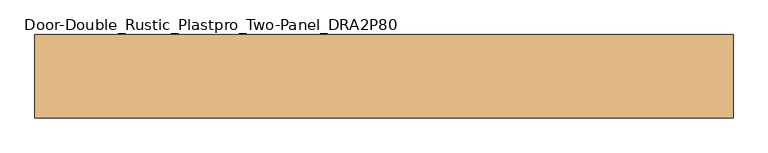
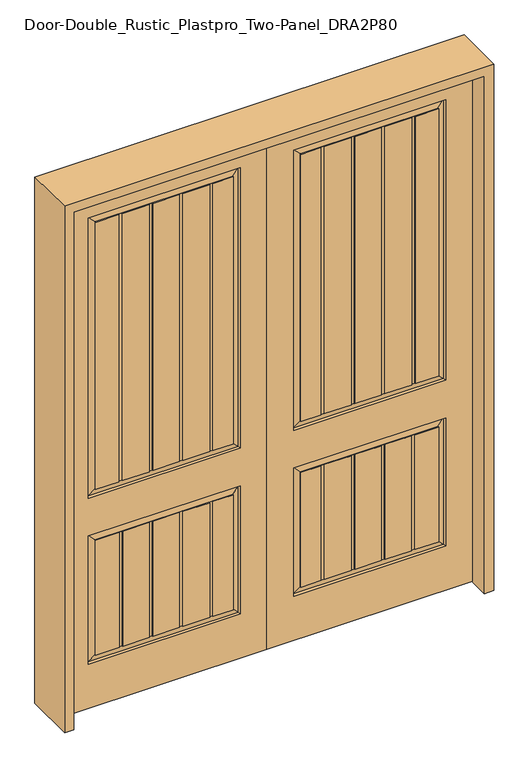
"""IFC4 building model written with IfcOpenShell, lengths in millimetres: door geometry, Door-Double_Rustic_Plastpro_Two-Panel_DRA2P80."""

from ifc_helpers import new_model, si_unit, frame, origin, place, context, project, spatial, polyline, outline, extrude, faceted_brep, source, transform, mapped, element, save


def door_double_rustic_plastpro_two_panel_dra2p80_1f6f9188(model_context):
    return source(origin(), model_context, "Body", "SolidModel", [
        faceted_brep([(0.0, 20.6375, 0.0), (0.0, 20.6375, 2438.4), (914.4, 20.6375, 2438.4), (914.4, 20.6375, 0.0), (795.3375, 20.6375, 990.6), (795.3375, 20.6375, 2311.4), (119.0625, 20.6375, 2311.4), (119.0625, 20.6375, 990.6), (795.3375, 20.6375, 209.55), (795.3375, 20.6375, 812.8), (119.0625, 20.6375, 812.8), (119.0625, 20.6375, 209.55), (255.83842, 20.6375, 781.59283), (374.7997858, 20.6375, 781.59283), (374.7997858, 20.6375, 240.75717), (255.83842, 20.6375, 240.75717), (240.5587325, 20.6375, 240.75717), (150.26967, 20.6375, 240.75717), (150.26967, 20.6375, 781.59283), (240.5587325, 20.6375, 781.59283), (524.3205267, 20.6375, 781.59283), (643.2818925, 20.6375, 781.59283), (643.2818925, 20.6375, 240.75717), (524.3205267, 20.6375, 240.75717), (509.0408392, 20.6375, 240.75717), (390.0794733, 20.6375, 240.75717), (390.0794733, 20.6375, 781.59283), (509.0408392, 20.6375, 781.59283), (255.83842, 20.6375, 2280.19283), (374.7997858, 20.6375, 2280.19283), (374.7997858, 20.6375, 1021.80717), (255.83842, 20.6375, 1021.80717), (240.5587325, 20.6375, 1021.80717), (150.26967, 20.6375, 1021.80717), (150.26967, 20.6375, 2280.19283), (240.5587325, 20.6375, 2280.19283), (524.3205267, 20.6375, 2280.19283), (643.2818925, 20.6375, 2280.19283), (643.2818925, 20.6375, 1021.80717), (524.3205267, 20.6375, 1021.80717), (509.0408392, 20.6375, 1021.80717), (390.0794733, 20.6375, 1021.80717), (390.0794733, 20.6375, 2280.19283), (509.0408392, 20.6375, 2280.19283), (658.56158, 20.6375, 2280.19283), (764.13033, 20.6375, 2280.19283), (764.13033, 20.6375, 1021.80717), (658.56158, 20.6375, 1021.80717), (658.56158, 20.6375, 781.59283), (764.13033, 20.6375, 781.59283), (764.13033, 20.6375, 240.75717), (658.56158, 20.6375, 240.75717), (914.4, -20.6375, 0.0), (0.0, -20.6375, 0.0), (914.4, -20.6375, 2438.4), (0.0, -20.6375, 2438.4), (119.0625, -20.6375, 990.6), (119.0625, -20.6375, 2311.4), (795.3375, -20.6375, 2311.4), (795.3375, -20.6375, 990.6), (119.0625, -20.6375, 209.55), (119.0625, -20.6375, 812.8), (795.3375, -20.6375, 812.8), (795.3375, -20.6375, 209.55), (255.83842, -20.6375, 240.75717), (374.7997858, -20.6375, 240.75717), (374.7997858, -20.6375, 781.59283), (255.83842, -20.6375, 781.59283), (240.5587325, -20.6375, 781.59283), (150.26967, -20.6375, 781.59283), (150.26967, -20.6375, 240.75717), (240.5587325, -20.6375, 240.75717), (524.3205267, -20.6375, 240.75717), (643.2818925, -20.6375, 240.75717), (643.2818925, -20.6375, 781.59283), (524.3205267, -20.6375, 781.59283), (509.0408392, -20.6375, 781.59283), (390.0794733, -20.6375, 781.59283), (390.0794733, -20.6375, 240.75717), (509.0408392, -20.6375, 240.75717), (255.83842, -20.6375, 1021.80717), (375.194015, -20.6375, 1021.80717), (375.194015, -20.6375, 2280.19283), (255.83842, -20.6375, 2280.19283), (240.5587325, -20.6375, 2280.19283), (150.26967, -20.6375, 2280.19283), (150.26967, -20.6375, 1021.80717), (240.5587325, -20.6375, 1021.80717), (525.108985, -20.6375, 1021.80717), (644.46458, -20.6375, 1021.80717), (644.46458, -20.6375, 2280.19283), (525.108985, -20.6375, 2280.19283), (509.8292975, -20.6375, 2280.19283), (390.4737025, -20.6375, 2280.19283), (390.4737025, -20.6375, 1021.80717), (509.8292975, -20.6375, 1021.80717), (659.7442675, -20.6375, 1021.80717), (764.13033, -20.6375, 1021.80717), (764.13033, -20.6375, 2280.19283), (659.7442675, -20.6375, 2280.19283), (658.56158, -20.6375, 240.75717), (764.13033, -20.6375, 240.75717), (764.13033, -20.6375, 781.59283), (658.56158, -20.6375, 781.59283), (255.83842, 17.4625, 240.75717), (255.83842, 17.4625, 781.59283), (374.7997858, 17.4625, 781.59283), (374.7997858, 17.4625, 240.75717), (240.5587325, 17.4625, 781.59283), (240.5587325, 17.4625, 240.75717), (524.3205267, 17.4625, 240.75717), (524.3205267, 17.4625, 781.59283), (509.0408392, 17.4625, 781.59283), (509.0408392, 17.4625, 240.75717), (390.0794733, 17.4625, 240.75717), (390.0794733, 17.4625, 781.59283), (255.83842, 17.4625, 1021.80717), (255.83842, 17.4625, 2280.19283), (374.7997858, 17.4625, 2280.19283), (374.7997858, 17.4625, 1021.80717), (240.5587325, 17.4625, 2280.19283), (240.5587325, 17.4625, 1021.80717), (524.3205267, 17.4625, 1021.80717), (524.3205267, 17.4625, 2280.19283), (509.0408392, 17.4625, 2280.19283), (509.0408392, 17.4625, 1021.80717), (390.0794733, 17.4625, 1021.80717), (390.0794733, 17.4625, 2280.19283), (255.83842, -17.4625, 781.59283), (255.83842, -17.4625, 240.75717), (374.7997858, -17.4625, 240.75717), (374.7997858, -17.4625, 781.59283), (240.5587325, -17.4625, 240.75717), (240.5587325, -17.4625, 781.59283), (524.3205267, -17.4625, 781.59283), (524.3205267, -17.4625, 240.75717), (509.0408392, -17.4625, 240.75717), (509.0408392, -17.4625, 781.59283), (390.0794733, -17.4625, 781.59283), (390.0794733, -17.4625, 240.75717), (255.83842, -17.4625, 2280.19283), (255.83842, -17.4625, 1021.80717), (375.194015, -17.4625, 1021.80717), (375.194015, -17.4625, 2280.19283), (240.5587325, -17.4625, 1021.80717), (240.5587325, -17.4625, 2280.19283), (525.108985, -17.4625, 2280.19283), (525.108985, -17.4625, 1021.80717), (509.8292975, -17.4625, 1021.80717), (509.8292975, -17.4625, 2280.19283), (390.4737025, -17.4625, 2280.19283), (390.4737025, -17.4625, 1021.80717), (150.26967, 16.4079106, 240.75717), (643.2818925, 17.4625, 240.75717), (658.56158, 17.4625, 240.75717), (764.13033, 16.4079106, 240.75717), (150.26967, 16.4079106, 781.59283), (764.13033, 16.4079106, 781.59283), (658.56158, 17.4625, 781.59283), (643.2818925, 17.4625, 781.59283), (150.26967, 16.4079106, 1021.80717), (643.2818925, 17.4625, 1021.80717), (658.56158, 17.4625, 1021.80717), (764.13033, 16.4079106, 1021.80717), (150.26967, 16.4079106, 2280.19283), (643.2818925, 17.4625, 2280.19283), (791.118693, 11.1619043, 994.818807), (123.281307, 11.1619043, 994.818807), (123.281307, 11.1619043, 2307.181193), (791.118693, 11.1619043, 2307.181193), (791.118693, 11.1619043, 213.768807), (123.281307, 11.1619043, 213.768807), (123.281307, 11.1619043, 808.581193), (791.118693, 11.1619043, 808.581193), (658.56158, 17.4625, 2280.19283), (764.13033, 16.4079106, 2280.19283), (643.2818925, -17.4625, 781.59283), (658.56158, -17.4625, 781.59283), (764.13033, -16.4079106, 781.59283), (150.26967, -16.4079106, 781.59283), (764.13033, -16.4079106, 240.75717), (658.56158, -17.4625, 240.75717), (643.2818925, -17.4625, 240.75717), (150.26967, -16.4079106, 240.75717), (764.13033, -16.4079106, 1021.80717), (659.7442675, -17.4625, 1021.80717), (644.46458, -17.4625, 1021.80717), (150.26967, -16.4079106, 1021.80717), (150.26967, -16.4079106, 2280.19283), (644.46458, -17.4625, 2280.19283), (791.118693, -11.1619043, 994.818807), (123.281307, -11.1619043, 994.818807), (791.118693, -11.1619043, 2307.181193), (123.281307, -11.1619043, 2307.181193), (791.118693, -11.1619043, 213.768807), (123.281307, -11.1619043, 213.768807), (791.118693, -11.1619043, 808.581193), (123.281307, -11.1619043, 808.581193), (659.7442675, -17.4625, 2280.19283), (764.13033, -16.4079106, 2280.19283)], [[[0, 1, 2, 3], [4, 5, 6, 7], [8, 9, 10, 11]], [[12, 13, 14, 15]], [[16, 17, 18, 19]], [[20, 21, 22, 23]], [[24, 25, 26, 27]], [[28, 29, 30, 31]], [[32, 33, 34, 35]], [[36, 37, 38, 39]], [[40, 41, 42, 43]], [[44, 45, 46, 47]], [[48, 49, 50, 51]], [[3, 52, 53, 0]], [[2, 54, 52, 3]], [[0, 53, 55, 1]], [[52, 54, 55, 53], [56, 57, 58, 59], [60, 61, 62, 63]], [[64, 65, 66, 67]], [[68, 69, 70, 71]], [[72, 73, 74, 75]], [[76, 77, 78, 79]], [[80, 81, 82, 83]], [[84, 85, 86, 87]], [[88, 89, 90, 91]], [[92, 93, 94, 95]], [[96, 97, 98, 99]], [[100, 101, 102, 103]], [[1, 55, 54, 2]], [[15, 104, 105, 12]], [[13, 106, 107, 14]], [[19, 108, 109, 16]], [[23, 110, 111, 20]], [[27, 112, 113, 24]], [[25, 114, 115, 26]], [[31, 116, 117, 28]], [[29, 118, 119, 30]], [[35, 120, 121, 32]], [[39, 122, 123, 36]], [[43, 124, 125, 40]], [[41, 126, 127, 42]], [[67, 128, 129, 64]], [[65, 130, 131, 66]], [[71, 132, 133, 68]], [[75, 134, 135, 72]], [[79, 136, 137, 76]], [[77, 138, 139, 78]], [[83, 140, 141, 80]], [[81, 142, 143, 82]], [[87, 144, 145, 84]], [[91, 146, 147, 88]], [[95, 148, 149, 92]], [[93, 150, 151, 94]], [[128, 133, 132, 129]], [[134, 137, 136, 135]], [[138, 131, 130, 139]], [[104, 109, 108, 105]], [[110, 113, 112, 111]], [[114, 107, 106, 115]], [[140, 145, 144, 141]], [[146, 149, 148, 147]], [[150, 143, 142, 151]], [[116, 121, 120, 117]], [[122, 125, 124, 123]], [[126, 119, 118, 127]], [[152, 17, 16, 109, 104, 15, 14, 107, 114, 25, 24, 113, 110, 23, 22, 153, 154, 51, 50, 155]], [[156, 157, 49, 48, 158, 159, 21, 20, 111, 112, 27, 26, 115, 106, 13, 12, 105, 108, 19, 18]], [[152, 156, 18, 17]], [[21, 159, 153, 22]], [[160, 33, 32, 121, 116, 31, 30, 119, 126, 41, 40, 125, 122, 39, 38, 161, 162, 47, 46, 163]], [[160, 164, 34, 33]], [[37, 165, 161, 38]], [[166, 4, 7, 167]], [[7, 6, 168, 167]], [[166, 169, 5, 4]], [[170, 8, 11, 171]], [[11, 10, 172, 171]], [[10, 9, 173, 172]], [[170, 173, 9, 8]], [[47, 162, 174, 44]], [[46, 45, 175, 163]], [[51, 154, 158, 48]], [[50, 49, 157, 155]], [[69, 68, 133, 128, 67, 66, 131, 138, 77, 76, 137, 134, 75, 74, 176, 177, 103, 102, 178, 179]], [[180, 101, 100, 181, 182, 73, 72, 135, 136, 79, 78, 139, 130, 65, 64, 129, 132, 71, 70, 183]], [[70, 69, 179, 183]], [[73, 182, 176, 74]], [[184, 97, 96, 185, 186, 89, 88, 147, 148, 95, 94, 151, 142, 81, 80, 141, 144, 87, 86, 187]], [[86, 85, 188, 187]], [[89, 186, 189, 90]], [[56, 59, 190, 191]], [[59, 58, 192, 190]], [[191, 193, 57, 56]], [[60, 63, 194, 195]], [[63, 62, 196, 194]], [[197, 196, 62, 61]], [[195, 197, 61, 60]], [[99, 198, 185, 96]], [[184, 199, 98, 97]], [[103, 177, 181, 100]], [[180, 178, 102, 101]], [[190, 184, 187, 191]], [[198, 189, 186, 185]], [[187, 188, 193, 191]], [[190, 192, 199, 184]], [[163, 166, 167, 160]], [[167, 168, 164, 160]], [[163, 175, 169, 166]], [[162, 161, 165, 174]], [[194, 180, 183, 195]], [[177, 176, 182, 181]], [[183, 179, 197, 195]], [[194, 196, 178, 180]], [[155, 170, 171, 152]], [[171, 172, 156, 152]], [[155, 157, 173, 170]], [[154, 153, 159, 158]], [[179, 178, 196, 197]], [[172, 173, 157, 156]], [[6, 5, 169, 168]], [[193, 192, 58, 57]], [[188, 199, 192, 193]], [[168, 169, 175, 164]], [[85, 84, 145, 140, 83, 82, 143, 150, 93, 92, 149, 146, 91, 90, 189, 198, 99, 98, 199, 188]], [[164, 175, 45, 44, 174, 165, 37, 36, 123, 124, 43, 42, 127, 118, 29, 28, 117, 120, 35, 34]]]),
        faceted_brep([(0.0, 20.6375, 0.0), (-914.4, 20.6375, 0.0), (-914.4, 20.6375, 2438.4), (0.0, 20.6375, 2438.4), (-795.3375, 20.6375, 990.6), (-119.0625, 20.6375, 990.6), (-119.0625, 20.6375, 2311.4), (-795.3375, 20.6375, 2311.4), (-795.3375, 20.6375, 209.55), (-119.0625, 20.6375, 209.55), (-119.0625, 20.6375, 812.8), (-795.3375, 20.6375, 812.8), (-255.83842, 20.6375, 781.59283), (-255.83842, 20.6375, 240.75717), (-374.7997858, 20.6375, 240.75717), (-374.7997858, 20.6375, 781.59283), (-240.5587325, 20.6375, 240.75717), (-240.5587325, 20.6375, 781.59283), (-150.26967, 20.6375, 781.59283), (-150.26967, 20.6375, 240.75717), (-524.3205267, 20.6375, 781.59283), (-524.3205267, 20.6375, 240.75717), (-643.2818925, 20.6375, 240.75717), (-643.2818925, 20.6375, 781.59283), (-509.0408392, 20.6375, 240.75717), (-509.0408392, 20.6375, 781.59283), (-390.0794733, 20.6375, 781.59283), (-390.0794733, 20.6375, 240.75717), (-255.83842, 20.6375, 2280.19283), (-255.83842, 20.6375, 1021.80717), (-374.7997858, 20.6375, 1021.80717), (-374.7997858, 20.6375, 2280.19283), (-240.5587325, 20.6375, 1021.80717), (-240.5587325, 20.6375, 2280.19283), (-150.26967, 20.6375, 2280.19283), (-150.26967, 20.6375, 1021.80717), (-524.3205267, 20.6375, 2280.19283), (-524.3205267, 20.6375, 1021.80717), (-643.2818925, 20.6375, 1021.80717), (-643.2818925, 20.6375, 2280.19283), (-509.0408392, 20.6375, 1021.80717), (-509.0408392, 20.6375, 2280.19283), (-390.0794733, 20.6375, 2280.19283), (-390.0794733, 20.6375, 1021.80717), (-658.56158, 20.6375, 2280.19283), (-658.56158, 20.6375, 1021.80717), (-764.13033, 20.6375, 1021.80717), (-764.13033, 20.6375, 2280.19283), (-658.56158, 20.6375, 781.59283), (-658.56158, 20.6375, 240.75717), (-764.13033, 20.6375, 240.75717), (-764.13033, 20.6375, 781.59283), (0.0, -20.6375, 0.0), (-914.4, -20.6375, 0.0), (-914.4, -20.6375, 2438.4), (0.0, -20.6375, 2438.4), (-119.0625, -20.6375, 990.6), (-795.3375, -20.6375, 990.6), (-795.3375, -20.6375, 2311.4), (-119.0625, -20.6375, 2311.4), (-119.0625, -20.6375, 209.55), (-795.3375, -20.6375, 209.55), (-795.3375, -20.6375, 812.8), (-119.0625, -20.6375, 812.8), (-255.83842, -20.6375, 240.75717), (-255.83842, -20.6375, 781.59283), (-374.7997858, -20.6375, 781.59283), (-374.7997858, -20.6375, 240.75717), (-240.5587325, -20.6375, 781.59283), (-240.5587325, -20.6375, 240.75717), (-150.26967, -20.6375, 240.75717), (-150.26967, -20.6375, 781.59283), (-524.3205267, -20.6375, 240.75717), (-524.3205267, -20.6375, 781.59283), (-643.2818925, -20.6375, 781.59283), (-643.2818925, -20.6375, 240.75717), (-509.0408392, -20.6375, 781.59283), (-509.0408392, -20.6375, 240.75717), (-390.0794733, -20.6375, 240.75717), (-390.0794733, -20.6375, 781.59283), (-255.83842, -20.6375, 1021.80717), (-255.83842, -20.6375, 2280.19283), (-375.194015, -20.6375, 2280.19283), (-375.194015, -20.6375, 1021.80717), (-240.5587325, -20.6375, 2280.19283), (-240.5587325, -20.6375, 1021.80717), (-150.26967, -20.6375, 1021.80717), (-150.26967, -20.6375, 2280.19283), (-525.108985, -20.6375, 1021.80717), (-525.108985, -20.6375, 2280.19283), (-644.46458, -20.6375, 2280.19283), (-644.46458, -20.6375, 1021.80717), (-509.8292975, -20.6375, 2280.19283), (-509.8292975, -20.6375, 1021.80717), (-390.4737025, -20.6375, 1021.80717), (-390.4737025, -20.6375, 2280.19283), (-659.7442675, -20.6375, 1021.80717), (-659.7442675, -20.6375, 2280.19283), (-764.13033, -20.6375, 2280.19283), (-764.13033, -20.6375, 1021.80717), (-658.56158, -20.6375, 240.75717), (-658.56158, -20.6375, 781.59283), (-764.13033, -20.6375, 781.59283), (-764.13033, -20.6375, 240.75717), (-255.83842, 17.4625, 781.59283), (-255.83842, 17.4625, 240.75717), (-374.7997858, 17.4625, 240.75717), (-374.7997858, 17.4625, 781.59283), (-240.5587325, 17.4625, 240.75717), (-240.5587325, 17.4625, 781.59283), (-524.3205267, 17.4625, 781.59283), (-524.3205267, 17.4625, 240.75717), (-509.0408392, 17.4625, 240.75717), (-509.0408392, 17.4625, 781.59283), (-390.0794733, 17.4625, 781.59283), (-390.0794733, 17.4625, 240.75717), (-255.83842, 17.4625, 2280.19283), (-255.83842, 17.4625, 1021.80717), (-374.7997858, 17.4625, 1021.80717), (-374.7997858, 17.4625, 2280.19283), (-240.5587325, 17.4625, 1021.80717), (-240.5587325, 17.4625, 2280.19283), (-524.3205267, 17.4625, 2280.19283), (-524.3205267, 17.4625, 1021.80717), (-509.0408392, 17.4625, 1021.80717), (-509.0408392, 17.4625, 2280.19283), (-390.0794733, 17.4625, 2280.19283), (-390.0794733, 17.4625, 1021.80717), (-255.83842, -17.4625, 240.75717), (-255.83842, -17.4625, 781.59283), (-374.7997858, -17.4625, 781.59283), (-374.7997858, -17.4625, 240.75717), (-240.5587325, -17.4625, 781.59283), (-240.5587325, -17.4625, 240.75717), (-524.3205267, -17.4625, 240.75717), (-524.3205267, -17.4625, 781.59283), (-509.0408392, -17.4625, 781.59283), (-509.0408392, -17.4625, 240.75717), (-390.0794733, -17.4625, 240.75717), (-390.0794733, -17.4625, 781.59283), (-255.83842, -17.4625, 1021.80717), (-255.83842, -17.4625, 2280.19283), (-375.194015, -17.4625, 2280.19283), (-375.194015, -17.4625, 1021.80717), (-240.5587325, -17.4625, 2280.19283), (-240.5587325, -17.4625, 1021.80717), (-525.108985, -17.4625, 1021.80717), (-525.108985, -17.4625, 2280.19283), (-509.8292975, -17.4625, 2280.19283), (-509.8292975, -17.4625, 1021.80717), (-390.4737025, -17.4625, 1021.80717), (-390.4737025, -17.4625, 2280.19283), (-150.26967, 16.4079106, 240.75717), (-764.13033, 16.4079106, 240.75717), (-658.56158, 17.4625, 240.75717), (-643.2818925, 17.4625, 240.75717), (-150.26967, 16.4079106, 781.59283), (-643.2818925, 17.4625, 781.59283), (-658.56158, 17.4625, 781.59283), (-764.13033, 16.4079106, 781.59283), (-150.26967, 16.4079106, 1021.80717), (-764.13033, 16.4079106, 1021.80717), (-658.56158, 17.4625, 1021.80717), (-643.2818925, 17.4625, 1021.80717), (-150.26967, 16.4079106, 2280.19283), (-643.2818925, 17.4625, 2280.19283), (-791.118693, 11.1619043, 994.818807), (-123.281307, 11.1619043, 994.818807), (-123.281307, 11.1619043, 2307.181193), (-791.118693, 11.1619043, 2307.181193), (-791.118693, 11.1619043, 213.768807), (-123.281307, 11.1619043, 213.768807), (-123.281307, 11.1619043, 808.581193), (-791.118693, 11.1619043, 808.581193), (-658.56158, 17.4625, 2280.19283), (-764.13033, 16.4079106, 2280.19283), (-150.26967, -16.4079106, 781.59283), (-764.13033, -16.4079106, 781.59283), (-658.56158, -17.4625, 781.59283), (-643.2818925, -17.4625, 781.59283), (-764.13033, -16.4079106, 240.75717), (-150.26967, -16.4079106, 240.75717), (-643.2818925, -17.4625, 240.75717), (-658.56158, -17.4625, 240.75717), (-764.13033, -16.4079106, 1021.80717), (-150.26967, -16.4079106, 1021.80717), (-644.46458, -17.4625, 1021.80717), (-659.7442675, -17.4625, 1021.80717), (-150.26967, -16.4079106, 2280.19283), (-644.46458, -17.4625, 2280.19283), (-123.281307, -11.1619043, 994.818807), (-791.118693, -11.1619043, 994.818807), (-791.118693, -11.1619043, 2307.181193), (-123.281307, -11.1619043, 2307.181193), (-123.281307, -11.1619043, 213.768807), (-791.118693, -11.1619043, 213.768807), (-791.118693, -11.1619043, 808.581193), (-123.281307, -11.1619043, 808.581193), (-659.7442675, -17.4625, 2280.19283), (-764.13033, -16.4079106, 2280.19283)], [[[0, 1, 2, 3], [4, 5, 6, 7], [8, 9, 10, 11]], [[12, 13, 14, 15]], [[16, 17, 18, 19]], [[20, 21, 22, 23]], [[24, 25, 26, 27]], [[28, 29, 30, 31]], [[32, 33, 34, 35]], [[36, 37, 38, 39]], [[40, 41, 42, 43]], [[44, 45, 46, 47]], [[48, 49, 50, 51]], [[1, 0, 52, 53]], [[2, 1, 53, 54]], [[0, 3, 55, 52]], [[53, 52, 55, 54], [56, 57, 58, 59], [60, 61, 62, 63]], [[64, 65, 66, 67]], [[68, 69, 70, 71]], [[72, 73, 74, 75]], [[76, 77, 78, 79]], [[80, 81, 82, 83]], [[84, 85, 86, 87]], [[88, 89, 90, 91]], [[92, 93, 94, 95]], [[96, 97, 98, 99]], [[100, 101, 102, 103]], [[3, 2, 54, 55]], [[13, 12, 104, 105]], [[15, 14, 106, 107]], [[17, 16, 108, 109]], [[21, 20, 110, 111]], [[25, 24, 112, 113]], [[27, 26, 114, 115]], [[29, 28, 116, 117]], [[31, 30, 118, 119]], [[33, 32, 120, 121]], [[37, 36, 122, 123]], [[41, 40, 124, 125]], [[43, 42, 126, 127]], [[65, 64, 128, 129]], [[67, 66, 130, 131]], [[69, 68, 132, 133]], [[73, 72, 134, 135]], [[77, 76, 136, 137]], [[79, 78, 138, 139]], [[81, 80, 140, 141]], [[83, 82, 142, 143]], [[85, 84, 144, 145]], [[89, 88, 146, 147]], [[93, 92, 148, 149]], [[95, 94, 150, 151]], [[129, 128, 133, 132]], [[135, 134, 137, 136]], [[139, 138, 131, 130]], [[105, 104, 109, 108]], [[111, 110, 113, 112]], [[115, 114, 107, 106]], [[141, 140, 145, 144]], [[147, 146, 149, 148]], [[151, 150, 143, 142]], [[117, 116, 121, 120]], [[123, 122, 125, 124]], [[127, 126, 119, 118]], [[152, 153, 50, 49, 154, 155, 22, 21, 111, 112, 24, 27, 115, 106, 14, 13, 105, 108, 16, 19]], [[156, 18, 17, 109, 104, 12, 15, 107, 114, 26, 25, 113, 110, 20, 23, 157, 158, 48, 51, 159]], [[152, 19, 18, 156]], [[23, 22, 155, 157]], [[160, 161, 46, 45, 162, 163, 38, 37, 123, 124, 40, 43, 127, 118, 30, 29, 117, 120, 32, 35]], [[160, 35, 34, 164]], [[39, 38, 163, 165]], [[166, 167, 5, 4]], [[5, 167, 168, 6]], [[166, 4, 7, 169]], [[170, 171, 9, 8]], [[9, 171, 172, 10]], [[10, 172, 173, 11]], [[170, 8, 11, 173]], [[45, 44, 174, 162]], [[46, 161, 175, 47]], [[49, 48, 158, 154]], [[50, 153, 159, 51]], [[71, 176, 177, 102, 101, 178, 179, 74, 73, 135, 136, 76, 79, 139, 130, 66, 65, 129, 132, 68]], [[180, 181, 70, 69, 133, 128, 64, 67, 131, 138, 78, 77, 137, 134, 72, 75, 182, 183, 100, 103]], [[70, 181, 176, 71]], [[75, 74, 179, 182]], [[184, 185, 86, 85, 145, 140, 80, 83, 143, 150, 94, 93, 149, 146, 88, 91, 186, 187, 96, 99]], [[86, 185, 188, 87]], [[91, 90, 189, 186]], [[56, 190, 191, 57]], [[57, 191, 192, 58]], [[190, 56, 59, 193]], [[60, 194, 195, 61]], [[61, 195, 196, 62]], [[197, 63, 62, 196]], [[194, 60, 63, 197]], [[97, 96, 187, 198]], [[184, 99, 98, 199]], [[101, 100, 183, 178]], [[180, 103, 102, 177]], [[191, 190, 185, 184]], [[198, 187, 186, 189]], [[185, 190, 193, 188]], [[191, 184, 199, 192]], [[161, 160, 167, 166]], [[167, 160, 164, 168]], [[161, 166, 169, 175]], [[162, 174, 165, 163]], [[195, 194, 181, 180]], [[178, 183, 182, 179]], [[181, 194, 197, 176]], [[195, 180, 177, 196]], [[153, 152, 171, 170]], [[171, 152, 156, 172]], [[153, 170, 173, 159]], [[154, 158, 157, 155]], [[176, 197, 196, 177]], [[172, 156, 159, 173]], [[6, 168, 169, 7]], [[193, 59, 58, 192]], [[188, 193, 192, 199]], [[168, 164, 175, 169]], [[87, 188, 199, 98, 97, 198, 189, 90, 89, 147, 148, 92, 95, 151, 142, 82, 81, 141, 144, 84]], [[164, 34, 33, 121, 116, 28, 31, 119, 126, 42, 41, 125, 122, 36, 39, 165, 174, 44, 47, 175]]]),
        extrude(outline(polyline([(2479.675, -955.675), (0.0, -955.675), (0.0, -914.4), (2438.4, -914.4), (2438.4, 914.4), (0.0, 914.4), (0.0, 955.675), (2479.675, 955.675), (2479.675, -955.675)])), frame((0.0, -114.3, 0.0), z_axis=(0.0, 1.0, 0.0), x_axis=(0.0, 0.0, 1.0)), (0.0, 0.0, 1.0), 228.6),
    ])


if __name__ == "__main__":
    model = new_model("IFC4")
    model_context = context("Model", 3, world=origin())
    ifc_project = project(units=[si_unit("LENGTHUNIT", "METRE", prefix="MILLI")], contexts=[model_context])
    site = spatial("IfcSite", under=ifc_project)
    building = spatial("IfcBuilding", under=site)
    placement = place(None, origin())
    door_double_rustic_plastpro_two_panel_dra2p80_shape = door_double_rustic_plastpro_two_panel_dra2p80_1f6f9188(model_context)
    element("IfcDoor", 1, ObjectType="Door-Double_Rustic_Plastpro_Two-Panel_DRA2P80", at=placement, inside=building, context=model_context, shape_type="MappedRepresentation", body=[
        mapped(door_double_rustic_plastpro_two_panel_dra2p80_shape, transform((0.0, 0.0, 0.0), x_axis=(1.0, 0.0, 0.0), y_axis=(0.0, 1.0, 0.0), z_axis=(0.0, 0.0, 1.0))),
    ])
    save(model, "model.ifc")
